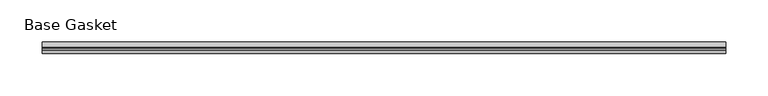
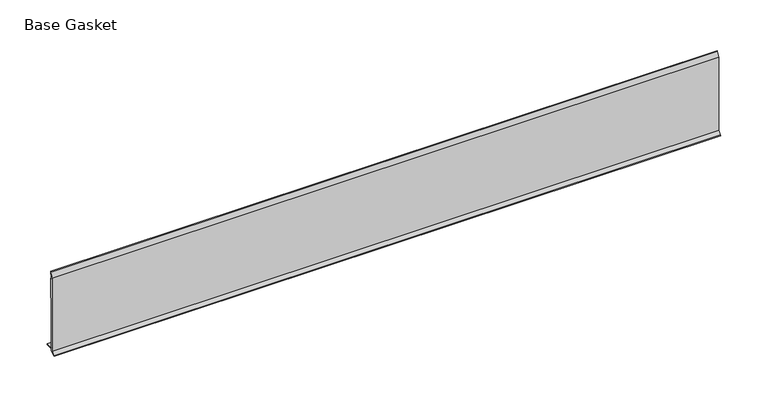
"""IFC4 building model written with IfcOpenShell, lengths in millimetres: furniture geometry, Base Gasket."""

from ifc_helpers import new_model, si_unit, frame, origin, place, context, project, spatial, polyline, outline, extrude, source, transform, mapped, element, save


def base_gasket_691db5e4(model_context):
    return source(origin(), model_context, "Body", "SweptSolid", [
        extrude(outline(polyline([(-3.7283812, 98.4568417), (-1.1891543, 104.587663), (-0.6755308, 105.2002997), (-0.6755308, 104.4162708), (-2.2043812, 98.4568417), (-2.2043812, 96.8693477), (-1.4106313, 96.8693477), (-1.4106313, 71.4693447), (-2.2043812, 71.4693447), (-2.2043812, 7.9398773), (6.2405171, 7.9398773), (6.2405171, 6.3818476), (-2.1334222, 6.3818476), (-2.2043812, 4.3498477), (-6.8281054, 0.3520979), (-7.8482342, 0.0), (-7.4222115, 0.6560174), (-3.7283812, 4.3498477), (-3.7283812, 98.4568417)])), frame((-1527.8982117, 0.0, 0.0), z_axis=(1.0, 0.0, 0.0), x_axis=(0.0, 1.0, 0.0)), (0.0, 0.0, 1.0), 812.8),
    ])


if __name__ == "__main__":
    model = new_model("IFC4")
    model_context = context("Model", 3, world=origin())
    ifc_project = project(units=[si_unit("LENGTHUNIT", "METRE", prefix="MILLI")], contexts=[model_context])
    site = spatial("IfcSite", under=ifc_project)
    building = spatial("IfcBuilding", under=site)
    placement = place(None, origin())
    base_gasket_shape = base_gasket_691db5e4(model_context)
    element("IfcFurniture", 1, ObjectType="Base Gasket", at=placement, inside=building, context=model_context, shape_type="MappedRepresentation", body=[
        mapped(base_gasket_shape, transform((0.0, 0.0, 0.0), x_axis=(1.0, 0.0, 0.0), y_axis=(0.0, 1.0, 0.0), z_axis=(0.0, 0.0, 1.0))),
    ])
    save(model, "model.ifc")
